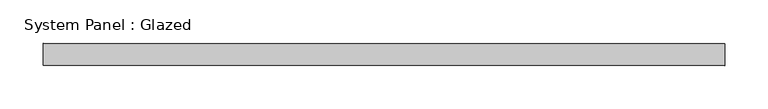
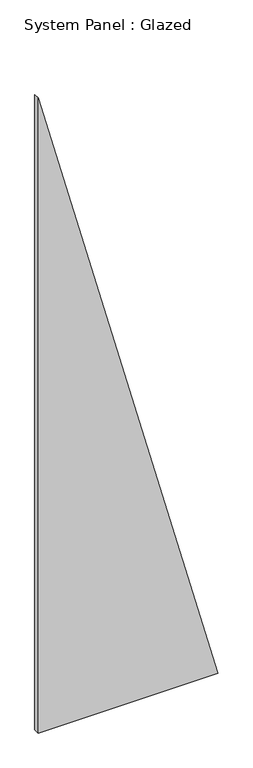
"""IFC4 building model written with IfcOpenShell, lengths in millimetres: plate geometry, System Panel : Glazed."""

from ifc_helpers import new_model, si_unit, frame, origin, place, context, project, spatial, polyline, outline, extrude, source, transform, mapped, element, save


def system_panel_glazed_a1b86f79(model_context):
    return source(origin(), model_context, "Body", "SweptSolid", [
        extrude(outline(polyline([(0.0, -392.444282), (0.0, 392.444282), (2929.2439988, -392.444282), (0.0, -392.444282)])), frame((0.0, -2.5, 0.0), z_axis=(0.0, 1.0, 0.0), x_axis=(0.0, 0.0, 1.0)), (0.0, 0.0, 1.0), 25.0),
    ])


if __name__ == "__main__":
    model = new_model("IFC4")
    model_context = context("Model", 3, world=origin())
    ifc_project = project(units=[si_unit("LENGTHUNIT", "METRE", prefix="MILLI")], contexts=[model_context])
    site = spatial("IfcSite", under=ifc_project)
    building = spatial("IfcBuilding", under=site)
    placement = place(None, origin())
    system_panel_glazed_shape = system_panel_glazed_a1b86f79(model_context)
    element("IfcPlate", 1, ObjectType="System Panel : Glazed", at=placement, inside=building, context=model_context, shape_type="MappedRepresentation", body=[
        mapped(system_panel_glazed_shape, transform((0.0, 0.0, 0.0), x_axis=(1.0, 0.0, 0.0), y_axis=(0.0, 1.0, 0.0), z_axis=(0.0, 0.0, 1.0))),
    ])
    save(model, "model.ifc")
